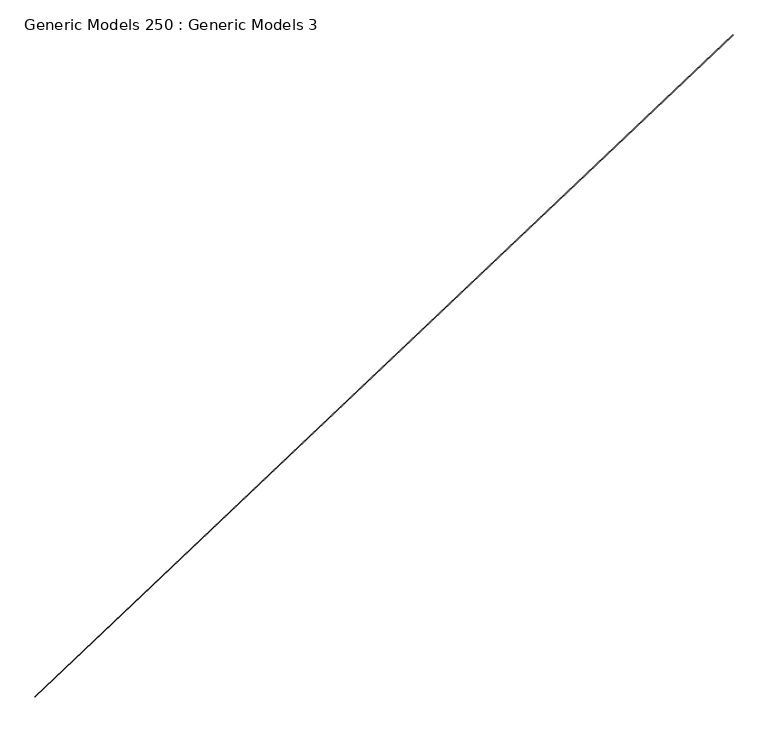
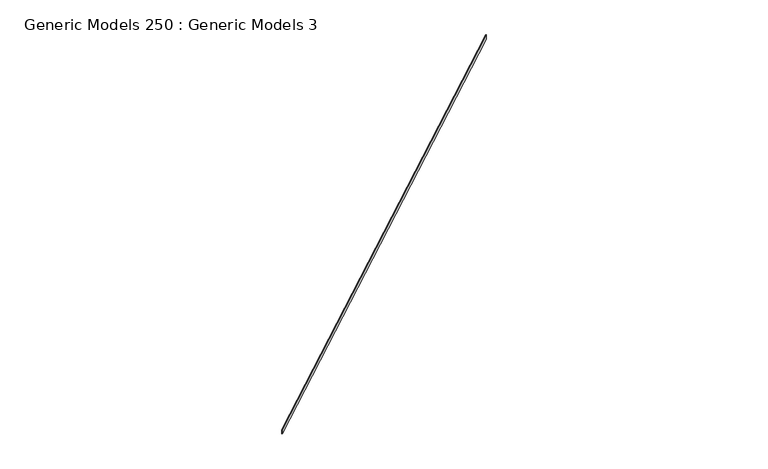
"""IFC4 building model written with IfcOpenShell, lengths in millimetres: proxy geometry, Generic Models 250 : Generic Models 3."""

from ifc_helpers import new_model, si_unit, frame, origin, place, context, project, spatial, polyline, outline, extrude, source, transform, mapped, element, save


def generic_models_250_generic_models_3_46628403(model_context):
    return source(origin(), model_context, "Body", "SweptSolid", [
        extrude(outline(polyline([(111137.9158108, 51894.5539133), (111139.0085737, 51893.4023815), (107852.5367766, 48774.6570966), (107851.4440137, 48775.8086284), (111137.9158108, 51894.5539133)])), frame((0.0, 0.0, 18680.0017036), z_axis=(0.0, 0.0, 1.0), x_axis=(1.0, 0.0, 0.0)), (0.0, 0.0, 1.0), 32.2137872),
    ])


if __name__ == "__main__":
    model = new_model("IFC4")
    model_context = context("Model", 3, world=origin())
    ifc_project = project(units=[si_unit("LENGTHUNIT", "METRE", prefix="MILLI")], contexts=[model_context])
    site = spatial("IfcSite", under=ifc_project)
    building = spatial("IfcBuilding", under=site)
    placement = place(None, origin())
    generic_models_250_generic_models_3_shape = generic_models_250_generic_models_3_46628403(model_context)
    element("IfcBuildingElementProxy", 1, Name="Generic Models 250 : Generic Models 3", ObjectType="Generic Models 250 : Generic Models 3", at=placement, inside=building, context=model_context, shape_type="MappedRepresentation", body=[
        mapped(generic_models_250_generic_models_3_shape, transform((0.0, 0.0, 0.0), x_axis=(1.0, 0.0, 0.0), y_axis=(0.0, 1.0, 0.0), z_axis=(0.0, 0.0, 1.0))),
    ])
    save(model, "model.ifc")
